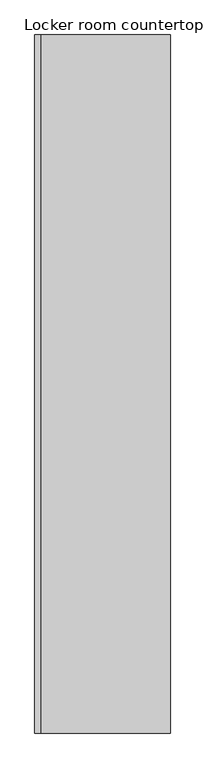
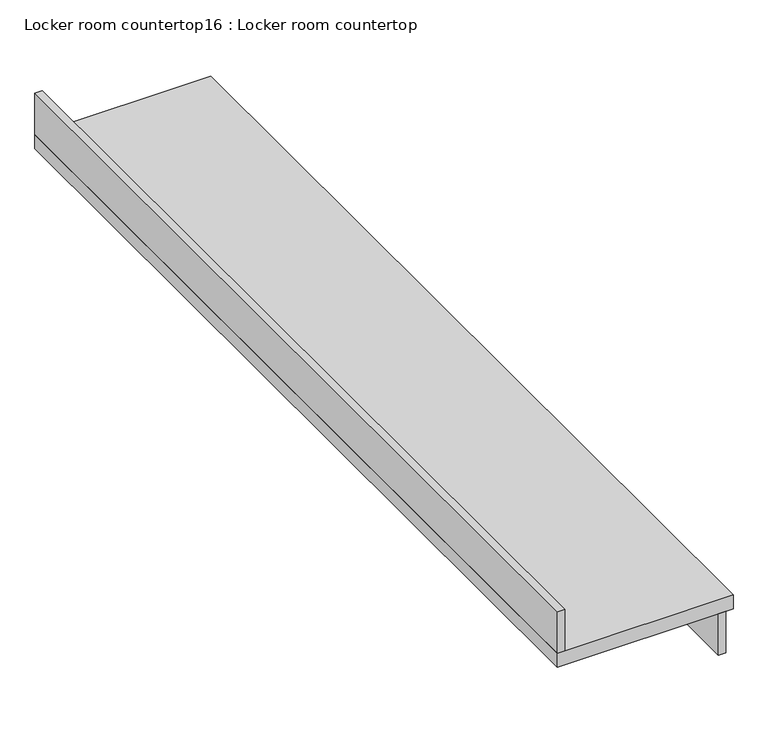
"""IFC4 building model written with IfcOpenShell, lengths in millimetres: furniture geometry, Locker room countertop16 : Locker room countertop."""

from ifc_helpers import new_model, si_unit, frame, origin, place, context, project, spatial, polyline, outline, extrude, source, transform, mapped, element, save


def locker_room_countertop16_locker_room_countertop_5ed9f3df(model_context):
    return source(origin(), model_context, "Body", "SweptSolid", [
        extrude(outline(polyline([(438881.6254676, -371399.6080223), (438881.6254676, -374538.0955223), (438856.2254676, -374538.0955223), (438856.2254676, -371399.6080223), (438881.6254676, -371399.6080223)])), frame((0.0, 0.0, 660.4), z_axis=(0.0, 0.0, 1.0), x_axis=(1.0, 0.0, 0.0)), (0.0, 0.0, 1.0), 152.4),
        extrude(outline(polyline([(438322.8254676, -374538.0955223), (438297.4254676, -374538.0955223), (438297.4254676, -371399.6080223), (438322.8254676, -371399.6080223), (438322.8254676, -374538.0955223)])), frame((0.0, 0.0, 863.6), z_axis=(0.0, 0.0, 1.0), x_axis=(1.0, 0.0, 0.0)), (0.0, 0.0, 1.0), 152.4),
        extrude(outline(polyline([(438907.0254676, -374538.0955223), (438297.4254676, -374538.0955223), (438297.4254676, -371399.6080223), (438907.0254676, -371399.6080223), (438907.0254676, -374538.0955223)])), frame((0.0, 0.0, 812.8), z_axis=(0.0, 0.0, 1.0), x_axis=(1.0, 0.0, 0.0)), (0.0, 0.0, 1.0), 50.8),
    ])


if __name__ == "__main__":
    model = new_model("IFC4")
    model_context = context("Model", 3, world=origin())
    ifc_project = project(units=[si_unit("LENGTHUNIT", "METRE", prefix="MILLI")], contexts=[model_context])
    site = spatial("IfcSite", under=ifc_project)
    building = spatial("IfcBuilding", under=site)
    placement = place(None, origin())
    locker_room_countertop16_locker_room_countertop_shape = locker_room_countertop16_locker_room_countertop_5ed9f3df(model_context)
    element("IfcFurniture", 1, ObjectType="Locker room countertop16 : Locker room countertop", at=placement, inside=building, context=model_context, shape_type="MappedRepresentation", body=[
        mapped(locker_room_countertop16_locker_room_countertop_shape, transform((0.0, 0.0, 0.0), x_axis=(1.0, 0.0, 0.0), y_axis=(0.0, 1.0, 0.0), z_axis=(0.0, 0.0, 1.0))),
    ])
    save(model, "model.ifc")
